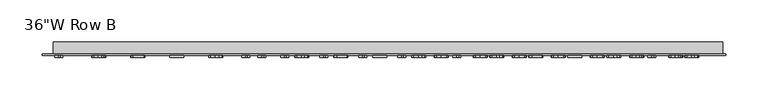
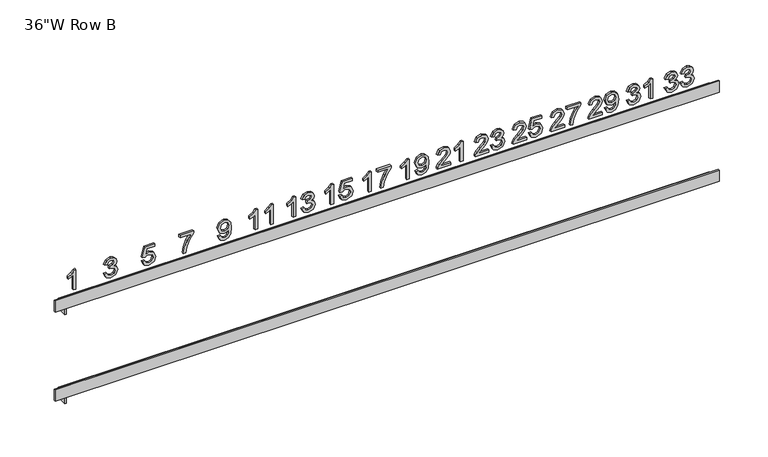
"""IFC4 building model written with IfcOpenShell, lengths in millimetres: furniture geometry."""

import ifcopenshell
import ifcopenshell.guid

model = None  # the IFC model being written
_history = None  # IfcOwnerHistory: only IFC2X3 demands one
_inside = {}  # id of a spatial element -> (the spatial element, [elements in it])
_under = {}  # id of a project, library or spatial element -> (it, [spatial elements below it])
_declared = {}  # id of a project -> (the project, [libraries it declares])
_typed = {}  # id of a type object -> (the type object, [elements of that type])
_made_of = {}  # id of a material, layer set ... -> (it, [elements and type objects made of it])


def new_model(schema):
    """Start an empty IFC model of exactly this schema.

    Asked for "IFC4X3", IfcOpenShell would pick the latest addendum, in which some entities
    have other attributes; the version numbers below select the first issue.
    IFC2X3 requires an IfcOwnerHistory on every rooted entity: one is made here for all.
    """
    global model, _history
    if schema == "IFC4X3":
        model = ifcopenshell.file(schema_version=(4, 3, 0, 0))
    else:
        model = ifcopenshell.file(schema=schema)
    _inside.clear()
    _under.clear()
    _declared.clear()
    _typed.clear()
    _made_of.clear()
    _history = None
    if model.schema == "IFC2X3":
        org = make("IfcOrganization", Name="unknown")
        user = make(
            "IfcPersonAndOrganization",
            ThePerson=make("IfcPerson", FamilyName="unknown"),
            TheOrganization=org,
        )
        app = make(
            "IfcApplication",
            ApplicationDeveloper=org,
            Version="unknown",
            ApplicationFullName="unknown",
            ApplicationIdentifier="unknown",
        )
        _history = make(
            "IfcOwnerHistory",
            OwningUser=user,
            OwningApplication=app,
            ChangeAction="ADDED",
            CreationDate=0,
        )
    return model


def make(cls, **values):
    """One entity of the class cls with the attributes given. An attribute that is None is left unset."""
    return model.create_entity(
        cls, **{name: value for name, value in values.items() if value is not None}
    )


def rooted(cls, **values):
    """An entity with a GlobalId (a new one), such as an element, a storey or a relation."""
    return make(cls, GlobalId=ifcopenshell.guid.new(), OwnerHistory=_history, **values)


def si_unit(unit_type, name, prefix=None):
    """IfcSIUnit, for example si_unit("LENGTHUNIT", "METRE", prefix="MILLI")."""
    return make("IfcSIUnit", UnitType=unit_type, Prefix=prefix, Name=name)


def assignment(units):
    """IfcUnitAssignment: the units of a project."""
    return None if units is None else make("IfcUnitAssignment", Units=units)


def point(xyz):
    """IfcCartesianPoint."""
    return None if xyz is None else make("IfcCartesianPoint", Coordinates=xyz)


def direction(xyz):
    """IfcDirection."""
    return None if xyz is None else make("IfcDirection", DirectionRatios=xyz)


def frame(location, z_axis=None, x_axis=None):
    """IfcAxis2Placement3D, a coordinate frame: its origin and axes. An axis left out is left unset."""
    return make(
        "IfcAxis2Placement3D",
        Location=point(location),
        Axis=direction(z_axis),
        RefDirection=direction(x_axis),
    )


def origin():
    """The frame at (0, 0, 0) with its axes left unset."""
    return frame((0.0, 0.0, 0.0))


def place(relative_to, where):
    """IfcLocalPlacement: puts the frame where relative to a parent placement (None: the world)."""
    return make(
        "IfcLocalPlacement", PlacementRelTo=relative_to, RelativePlacement=where
    )


def context(
    kind, dimensions, precision=None, world=None, true_north=None, identifier=None
):
    """IfcGeometricRepresentationContext, for example the 3D "Model" context."""
    return make(
        "IfcGeometricRepresentationContext",
        ContextIdentifier=identifier,
        ContextType=kind,
        CoordinateSpaceDimension=dimensions,
        Precision=precision,
        WorldCoordinateSystem=world,
        TrueNorth=true_north,
    )


def project(units=None, contexts=None):
    """IfcProject with its units and contexts."""
    return rooted(
        "IfcProject",
        Name="project",
        RepresentationContexts=contexts,
        UnitsInContext=assignment(units),
    )


def spatial(cls, under=None, at=None, **own):
    """A site, building, storey or space (cls), placed at a placement, below another one or the project."""
    s = rooted(cls, ObjectPlacement=at, **own)
    if under is not None:
        _under.setdefault(under.id(), (under, []))[1].append(s)
    return s


def polyline(points):
    """IfcPolyline through the points."""
    return make("IfcPolyline", Points=[point(p) for p in points])


def outline(outer, holes=None, kind="AREA"):
    """IfcArbitraryClosedProfileDef: a profile drawn as a closed curve; with holes, ...WithVoids."""
    if holes is None:
        return make("IfcArbitraryClosedProfileDef", ProfileType=kind, OuterCurve=outer)
    return make(
        "IfcArbitraryProfileDefWithVoids",
        ProfileType=kind,
        OuterCurve=outer,
        InnerCurves=holes,
    )


def extrude(swept, where, along, depth):
    """IfcExtrudedAreaSolid: the profile swept, set in the frame where, extruded along a direction by depth."""
    return make(
        "IfcExtrudedAreaSolid",
        SweptArea=swept,
        Position=where,
        ExtrudedDirection=direction(along),
        Depth=depth,
    )


def faces_of(points, faces, orient=None, outer=None):
    """IfcFace entities. A face is a list of loops; a loop is a list of indices into points, from 0.

    orient and outer hold one flag for each loop. By default every Orientation is true, the
    first loop of a face is its IfcFaceOuterBound and the others are IfcFaceBound.
    """
    made = []
    for i, loops in enumerate(faces):
        bounds = []
        for j, loop in enumerate(loops):
            is_outer = j == 0 if outer is None else outer[i][j]
            bounds.append(
                make(
                    "IfcFaceOuterBound" if is_outer else "IfcFaceBound",
                    Bound=make("IfcPolyLoop", Polygon=[points[k] for k in loop]),
                    Orientation=True if orient is None else orient[i][j],
                )
            )
        made.append(make("IfcFace", Bounds=bounds))
    return made


def faceted_brep(points, faces, orient=None, outer=None, voids=None):
    """IfcFacetedBrep: a solid bounded by flat faces; with voids (closed shells), ...WithVoids."""
    shared = [point(p) for p in points]
    hull = make("IfcClosedShell", CfsFaces=faces_of(shared, faces, orient, outer))
    if voids is None:
        return make("IfcFacetedBrep", Outer=hull)
    return make(
        "IfcFacetedBrepWithVoids",
        Outer=hull,
        Voids=[
            make(cls, CfsFaces=faces_of(shared, fs, o, b)) for cls, fs, o, b in voids
        ],
    )


def shape(context_of_items, identifier, shape_type, items):
    """IfcShapeRepresentation: the items that make up one representation, for example the "Body"."""
    return make(
        "IfcShapeRepresentation",
        ContextOfItems=context_of_items,
        RepresentationIdentifier=identifier,
        RepresentationType=shape_type,
        Items=items,
    )


def source(mapping_origin, context_of_items, identifier, shape_type, items):
    """IfcRepresentationMap: a shape defined once, which mapped items show again and again."""
    return make(
        "IfcRepresentationMap",
        MappingOrigin=mapping_origin,
        MappedRepresentation=shape(context_of_items, identifier, shape_type, items),
    )


def transform(
    local_origin,
    x_axis=None,
    y_axis=None,
    z_axis=None,
    scale=None,
    scale2=None,
    scale3=None,
    uniform=True,
):
    """IfcCartesianTransformationOperator3D, or its non-uniform kind. x_axis, y_axis, z_axis: its Axis1, 2, 3."""
    if uniform:
        return make(
            "IfcCartesianTransformationOperator3D",
            Axis1=direction(x_axis),
            Axis2=direction(y_axis),
            LocalOrigin=point(local_origin),
            Scale=scale,
            Axis3=direction(z_axis),
        )
    return make(
        "IfcCartesianTransformationOperator3DnonUniform",
        Axis1=direction(x_axis),
        Axis2=direction(y_axis),
        LocalOrigin=point(local_origin),
        Scale=scale,
        Axis3=direction(z_axis),
        Scale2=scale2,
        Scale3=scale3,
    )


def mapped(mapping_source, mapping_target):
    """IfcMappedItem: shows the shape of a source again, moved by a transform."""
    return make(
        "IfcMappedItem", MappingSource=mapping_source, MappingTarget=mapping_target
    )


def made_of(thing, what):
    """Note that an element or type object is made of a material, layer set ...; save() writes the relation."""
    if what is not None:
        _made_of.setdefault(what.id(), (what, []))[1].append(thing)
    return thing


def element(
    cls,
    number,
    at=None,
    inside=None,
    cuts=None,
    type_object=None,
    material=None,
    context=None,
    identifier="Body",
    shape_type=None,
    held_by="IfcProductDefinitionShape",
    body=None,
    shapes=None,
    **own,
):
    """One element of the class cls, such as IfcWall. Its Tag is "e" and its number.

    at: its placement. inside: the storey or other place that contains it. cuts: it is an
    opening in that element (IfcRelVoidsElement). A single representation is given by context,
    identifier, shape_type and body (its items); several are given by shapes. held_by: the class
    of the entity that holds the representations. save() writes the other relations.
    """
    e = rooted(cls, Tag="e%d" % number, ObjectPlacement=at, **own)
    if body is not None:
        shapes = [shape(context, identifier, shape_type, body)]
    if shapes is not None:
        e.Representation = make(held_by, Representations=shapes)
    if inside is not None:
        _inside.setdefault(inside.id(), (inside, []))[1].append(e)
    if cuts is not None:
        rooted(
            "IfcRelVoidsElement", RelatingBuildingElement=cuts, RelatedOpeningElement=e
        )
    if type_object is not None:
        _typed.setdefault(type_object.id(), (type_object, []))[1].append(e)
    return made_of(e, material)


def aggregate(whole, parts):
    """IfcRelAggregates: a whole, such as a stair, and the parts it consists of."""
    return rooted("IfcRelAggregates", RelatingObject=whole, RelatedObjects=parts)


def save(model, path):
    """Write the relations noted so far, then the file.

    IfcRelAggregates (storeys below a building ...), IfcRelContainedInSpatialStructure (elements
    in a storey), IfcRelDefinesByType, IfcRelAssociatesMaterial and IfcRelDeclares: one each for
    every whole, place, type object, material and project.
    """
    for whole, parts in _under.values():
        aggregate(whole, parts)
    for where, things in _inside.values():
        rooted(
            "IfcRelContainedInSpatialStructure",
            RelatedElements=things,
            RelatingStructure=where,
        )
    for kind, things in _typed.values():
        rooted("IfcRelDefinesByType", RelatedObjects=things, RelatingType=kind)
    for what, things in _made_of.values():
        rooted("IfcRelAssociatesMaterial", RelatedObjects=things, RelatingMaterial=what)
    for by, libraries in _declared.values():
        rooted("IfcRelDeclares", RelatingContext=by, RelatedDefinitions=libraries)
    model.write(path)


def furniture_2c89a0cc(model_context):
    return source(origin(), model_context, "Body", "SolidModel", [
        extrude(outline(polyline([(2101.5334769, 354.7691788), (2096.4595827, 357.2542269), (2094.4996308, 362.7372077), (2096.7954, 368.788025), (2102.3882846, 371.1814865), (2106.4547269, 369.9847558), (2108.5917462, 366.5777365), (2110.6616019, 369.1421596), (2113.543525, 370.0091788), (2116.6971548, 369.0963663), (2119.0417702, 366.458674), (2119.8996308, 362.6883615), (2118.1594865, 357.7182654), (2113.2565538, 355.1599481), (2112.8657846, 358.2861019), (2115.7965538, 359.81865), (2116.7734769, 362.7982654), (2115.8057125, 365.7412462), (2113.3603519, 366.883025), (2110.6005442, 365.3077365), (2109.7396308, 361.2596115), (2106.6134769, 360.9115827), (2106.9554, 363.1035538), (2105.6762413, 366.6571115), (2102.4432365, 368.0553327), (2099.0117942, 366.6449), (2097.6257846, 362.8471115), (2098.6332365, 359.6202125), (2101.9242462, 357.8953327), (2101.5334769, 354.7691788)])), frame((0.0, -18.25625, 0.0), z_axis=(0.0, 1.0, 0.0), x_axis=(0.0, 0.0, 1.0)), (0.0, 0.0, 1.0), 2.38125),
        extrude(outline(polyline([(2101.5334769, 373.9168712), (2096.4595827, 376.4019192), (2094.4996308, 381.8849), (2096.7954, 387.9357173), (2102.3882846, 390.3291788), (2106.4547269, 389.1324481), (2108.5917462, 385.7254288), (2110.6616019, 388.2898519), (2113.543525, 389.1568712), (2116.6971548, 388.2440587), (2119.0417702, 385.6063663), (2119.8996308, 381.8360538), (2118.1594865, 376.8659577), (2113.2565538, 374.3076404), (2112.8657846, 377.4337942), (2115.7965538, 378.9663423), (2116.7734769, 381.9459577), (2115.8057125, 384.8889385), (2113.3603519, 386.0307173), (2110.6005442, 384.4554288), (2109.7396308, 380.4073038), (2106.6134769, 380.059275), (2106.9554, 382.2512462), (2105.6762413, 385.8048038), (2102.4432365, 387.203025), (2099.0117942, 385.7925923), (2097.6257846, 381.9948038), (2098.6332365, 378.7679048), (2101.9242462, 377.043025), (2101.5334769, 373.9168712)])), frame((0.0, -18.25625, 0.0), z_axis=(0.0, 1.0, 0.0), x_axis=(0.0, 0.0, 1.0)), (0.0, 0.0, 1.0), 2.38125),
        extrude(outline(polyline([(2101.5334769, 308.7316788), (2096.4595827, 311.2167269), (2094.4996308, 316.6997077), (2096.7954, 322.750525), (2102.3882846, 325.1439865), (2106.4547269, 323.9472558), (2108.5917462, 320.5402365), (2110.6616019, 323.1046596), (2113.543525, 323.9716788), (2116.6971548, 323.0588663), (2119.0417702, 320.421174), (2119.8996308, 316.6508615), (2118.1594865, 311.6807654), (2113.2565538, 309.1224481), (2112.8657846, 312.2486019), (2115.7965538, 313.78115), (2116.7734769, 316.7607654), (2115.8057125, 319.7037462), (2113.3603519, 320.845525), (2110.6005442, 319.2702365), (2109.7396308, 315.2221115), (2106.6134769, 314.8740827), (2106.9554, 317.0660538), (2105.6762413, 320.6196115), (2102.4432365, 322.0178327), (2099.0117942, 320.6074), (2097.6257846, 316.8096115), (2098.6332365, 313.5827125), (2101.9242462, 311.8578327), (2101.5334769, 308.7316788)])), frame((0.0, -18.25625, 0.0), z_axis=(0.0, 1.0, 0.0), x_axis=(0.0, 0.0, 1.0)), (0.0, 0.0, 1.0), 2.38125),
        extrude(outline(polyline([(2094.8904, 339.6024481), (2119.8996308, 339.6024481), (2119.8996308, 337.5875442), (2116.5719865, 334.8063663), (2113.6473231, 330.2239865), (2110.6921308, 330.2239865), (2112.2704721, 333.5149962), (2114.3800154, 336.4762942), (2094.8904, 336.4762942), (2094.8904, 339.6024481)])), frame((0.0, -18.25625, 0.0), z_axis=(0.0, 1.0, 0.0), x_axis=(0.0, 0.0, 1.0)), (0.0, 0.0, 1.0), 2.38125),
        extrude(outline(polyline([(2098.0165538, 278.7157173), (2098.0165538, 266.4370154), (2099.6071067, 267.8474481), (2102.6141981, 271.4437462), (2106.8973952, 275.9223279), (2109.9624913, 277.7693231), (2112.9268423, 278.3249481), (2117.8969385, 276.264251), (2119.8996308, 270.6683135), (2118.0984288, 265.0906933), (2112.8657846, 262.6941788), (2112.4750154, 265.8203327), (2115.6316981, 267.136126), (2116.7734769, 270.60115), (2115.6042221, 273.9257413), (2112.7375635, 275.1987942), (2109.1962173, 273.8494192), (2103.9879962, 268.4519192), (2100.3642221, 264.5381212), (2097.0457365, 262.6392269), (2094.8904, 262.3034096), (2094.8904, 278.7157173), (2098.0165538, 278.7157173)])), frame((0.0, -18.25625, 0.0), z_axis=(0.0, 1.0, 0.0), x_axis=(0.0, 0.0, 1.0)), (0.0, 0.0, 1.0), 2.38125),
        extrude(outline(polyline([(2101.1427077, 282.2326404), (2096.2428279, 284.4734577), (2094.4996308, 289.2786981), (2095.9772269, 294.1053087), (2100.2787413, 297.2100923), (2107.8712654, 298.2541788), (2114.8684769, 297.2070394), (2118.5929962, 294.1419433), (2119.8996308, 289.6877846), (2117.6099673, 284.0796356), (2111.5652558, 281.8418712), (2105.7098231, 283.9758375), (2103.4873231, 289.1993231), (2104.3970827, 292.6277125), (2106.1555442, 295.1463423), (2102.5287173, 294.6945154), (2099.81165, 293.671799), (2098.2210971, 291.9560779), (2097.6257846, 289.4252365), (2098.5508087, 286.7631212), (2101.5334769, 285.3587942), (2101.1427077, 282.2326404)]), holes=[polyline([(2111.638525, 295.128025), (2107.9475875, 293.7145394), (2106.6134769, 290.1090827), (2107.9475875, 286.3540346), (2111.4126115, 284.968025), (2115.2806163, 286.4334096), (2116.7734769, 290.1945635), (2115.3874673, 293.77865), (2111.638525, 295.128025)])]), frame((0.0, -18.25625, 0.0), z_axis=(0.0, 1.0, 0.0), x_axis=(0.0, 0.0, 1.0)), (0.0, 0.0, 1.0), 2.38125),
        extrude(outline(polyline([(2098.0165538, 232.6782173), (2098.0165538, 220.3995154), (2099.6071067, 221.8099481), (2102.6141981, 225.4062462), (2106.8973952, 229.8848279), (2109.9624913, 231.7318231), (2112.9268423, 232.2874481), (2117.8969385, 230.226751), (2119.8996308, 224.6308135), (2118.0984288, 219.0531933), (2112.8657846, 216.6566788), (2112.4750154, 219.7828327), (2115.6316981, 221.098626), (2116.7734769, 224.56365), (2115.6042221, 227.8882413), (2112.7375635, 229.1612942), (2109.1962173, 227.8119192), (2103.9879962, 222.4144192), (2100.3642221, 218.5006212), (2097.0457365, 216.6017269), (2094.8904, 216.2659096), (2094.8904, 232.6782173), (2098.0165538, 232.6782173)])), frame((0.0, -18.25625, 0.0), z_axis=(0.0, 1.0, 0.0), x_axis=(0.0, 0.0, 1.0)), (0.0, 0.0, 1.0), 2.38125),
        extrude(outline(polyline([(2116.3827077, 235.8043712), (2116.3827077, 249.090525), (2109.9136452, 244.3646596), (2101.9425635, 240.9545875), (2094.8904, 239.7120635), (2094.8904, 242.8382173), (2101.6861212, 243.9983135), (2110.2555683, 247.5610298), (2116.9810731, 252.2166788), (2119.5088615, 252.2166788), (2119.5088615, 235.8043712), (2116.3827077, 235.8043712)])), frame((0.0, -18.25625, 0.0), z_axis=(0.0, 1.0, 0.0), x_axis=(0.0, 0.0, 1.0)), (0.0, 0.0, 1.0), 2.38125),
        extrude(outline(polyline([(2098.0165538, 186.6407173), (2098.0165538, 174.3620154), (2099.6071067, 175.7724481), (2102.6141981, 179.3687462), (2106.8973952, 183.8473279), (2109.9624913, 185.6943231), (2112.9268423, 186.2499481), (2117.8969385, 184.189251), (2119.8996308, 178.5933135), (2118.0984288, 173.0156933), (2112.8657846, 170.6191788), (2112.4750154, 173.7453327), (2115.6316981, 175.061126), (2116.7734769, 178.52615), (2115.6042221, 181.8507413), (2112.7375635, 183.1237942), (2109.1962173, 181.7744192), (2103.9879962, 176.3769192), (2100.3642221, 172.4631212), (2097.0457365, 170.5642269), (2094.8904, 170.2284096), (2094.8904, 186.6407173), (2098.0165538, 186.6407173)])), frame((0.0, -18.25625, 0.0), z_axis=(0.0, 1.0, 0.0), x_axis=(0.0, 0.0, 1.0)), (0.0, 0.0, 1.0), 2.38125),
        extrude(outline(polyline([(2101.5334769, 189.7668712), (2096.426001, 192.206126), (2094.4996308, 197.7226885), (2097.4975635, 204.2192269), (2103.2980442, 206.1791788), (2109.0618904, 204.0024721), (2111.3027077, 198.6568712), (2109.4954, 194.08365), (2116.3827077, 195.4208135), (2116.3827077, 205.0068712), (2119.5088615, 205.0068712), (2119.5088615, 192.893025), (2106.6134769, 190.1576404), (2106.2227077, 193.2837942), (2107.6331404, 195.0392029), (2108.1765538, 197.7837462), (2106.8149673, 201.7433375), (2103.1026596, 203.053025), (2099.124751, 201.6548038), (2097.6257846, 197.7349), (2098.7034529, 194.4683135), (2101.9242462, 192.893025), (2101.5334769, 189.7668712)])), frame((0.0, -18.25625, 0.0), z_axis=(0.0, 1.0, 0.0), x_axis=(0.0, 0.0, 1.0)), (0.0, 0.0, 1.0), 2.38125),
        extrude(outline(polyline([(2098.0165538, 140.6032173), (2098.0165538, 128.3245154), (2099.6071067, 129.7349481), (2102.6141981, 133.3312462), (2106.8973952, 137.8098279), (2109.9624913, 139.6568231), (2112.9268423, 140.2124481), (2117.8969385, 138.151751), (2119.8996308, 132.5558135), (2118.0984288, 126.9781933), (2112.8657846, 124.5816788), (2112.4750154, 127.7078327), (2115.6316981, 129.023626), (2116.7734769, 132.48865), (2115.6042221, 135.8132413), (2112.7375635, 137.0862942), (2109.1962173, 135.7369192), (2103.9879962, 130.3394192), (2100.3642221, 126.4256212), (2097.0457365, 124.5267269), (2094.8904, 124.1909096), (2094.8904, 140.6032173), (2098.0165538, 140.6032173)])), frame((0.0, -18.25625, 0.0), z_axis=(0.0, 1.0, 0.0), x_axis=(0.0, 0.0, 1.0)), (0.0, 0.0, 1.0), 2.38125),
        extrude(outline(polyline([(2101.5334769, 143.7293712), (2096.4595827, 146.2144192), (2094.4996308, 151.6974), (2096.7954, 157.7482173), (2102.3882846, 160.1416788), (2106.4547269, 158.9449481), (2108.5917462, 155.5379288), (2110.6616019, 158.1023519), (2113.543525, 158.9693712), (2116.6971548, 158.0565587), (2119.0417702, 155.4188663), (2119.8996308, 151.6485538), (2118.1594865, 146.6784577), (2113.2565538, 144.1201404), (2112.8657846, 147.2462942), (2115.7965538, 148.7788423), (2116.7734769, 151.7584577), (2115.8057125, 154.7014385), (2113.3603519, 155.8432173), (2110.6005442, 154.2679288), (2109.7396308, 150.2198038), (2106.6134769, 149.871775), (2106.9554, 152.0637462), (2105.6762413, 155.6173038), (2102.4432365, 157.015525), (2099.0117942, 155.6050923), (2097.6257846, 151.8073038), (2098.6332365, 148.5804048), (2101.9242462, 146.855525), (2101.5334769, 143.7293712)])), frame((0.0, -18.25625, 0.0), z_axis=(0.0, 1.0, 0.0), x_axis=(0.0, 0.0, 1.0)), (0.0, 0.0, 1.0), 2.38125),
        extrude(outline(polyline([(2098.0165538, 94.5657173), (2098.0165538, 82.2870154), (2099.6071067, 83.6974481), (2102.6141981, 87.2937462), (2106.8973952, 91.7723279), (2109.9624913, 93.6193231), (2112.9268423, 94.1749481), (2117.8969385, 92.114251), (2119.8996308, 86.5183135), (2118.0984288, 80.9406933), (2112.8657846, 78.5441788), (2112.4750154, 81.6703327), (2115.6316981, 82.986126), (2116.7734769, 86.45115), (2115.6042221, 89.7757413), (2112.7375635, 91.0487942), (2109.1962173, 89.6994192), (2103.9879962, 84.3019192), (2100.3642221, 80.3881212), (2097.0457365, 78.4892269), (2094.8904, 78.1534096), (2094.8904, 94.5657173), (2098.0165538, 94.5657173)])), frame((0.0, -18.25625, 0.0), z_axis=(0.0, 1.0, 0.0), x_axis=(0.0, 0.0, 1.0)), (0.0, 0.0, 1.0), 2.38125),
        extrude(outline(polyline([(2094.8904, 109.4149481), (2119.8996308, 109.4149481), (2119.8996308, 107.4000442), (2116.5719865, 104.6188663), (2113.6473231, 100.0364865), (2110.6921308, 100.0364865), (2112.2704721, 103.3274962), (2114.3800154, 106.2887942), (2094.8904, 106.2887942), (2094.8904, 109.4149481)])), frame((0.0, -18.25625, 0.0), z_axis=(0.0, 1.0, 0.0), x_axis=(0.0, 0.0, 1.0)), (0.0, 0.0, 1.0), 2.38125),
        extrude(outline(polyline([(2094.8904, 44.2297558), (2119.8996308, 44.2297558), (2119.8996308, 42.2148519), (2116.5719865, 39.433674), (2113.6473231, 34.8512942), (2110.6921308, 34.8512942), (2112.2704721, 38.1423038), (2114.3800154, 41.1036019), (2094.8904, 41.1036019), (2094.8904, 44.2297558)])), frame((0.0, -18.25625, 0.0), z_axis=(0.0, 1.0, 0.0), x_axis=(0.0, 0.0, 1.0)), (0.0, 0.0, 1.0), 2.38125),
        extrude(outline(polyline([(2101.1427077, 52.0451404), (2096.2428279, 54.2859577), (2094.4996308, 59.0911981), (2095.9772269, 63.9178087), (2100.2787413, 67.0225923), (2107.8712654, 68.0666788), (2114.8684769, 67.0195394), (2118.5929962, 63.9544433), (2119.8996308, 59.5002846), (2117.6099673, 53.8921356), (2111.5652558, 51.6543712), (2105.7098231, 53.7883375), (2103.4873231, 59.0118231), (2104.3970827, 62.4402125), (2106.1555442, 64.9588423), (2102.5287173, 64.5070154), (2099.81165, 63.484299), (2098.2210971, 61.7685779), (2097.6257846, 59.2377365), (2098.5508087, 56.5756212), (2101.5334769, 55.1712942), (2101.1427077, 52.0451404)]), holes=[polyline([(2111.638525, 64.940525), (2107.9475875, 63.5270394), (2106.6134769, 59.9215827), (2107.9475875, 56.1665346), (2111.4126115, 54.780525), (2115.2806163, 56.2459096), (2116.7734769, 60.0070635), (2115.3874673, 63.59115), (2111.638525, 64.940525)])]), frame((0.0, -18.25625, 0.0), z_axis=(0.0, 1.0, 0.0), x_axis=(0.0, 0.0, 1.0)), (0.0, 0.0, 1.0), 2.38125),
        extrude(outline(polyline([(2094.8904, -1.8077442), (2119.8996308, -1.8077442), (2119.8996308, -3.8226481), (2116.5719865, -6.603826), (2113.6473231, -11.1862058), (2110.6921308, -11.1862058), (2112.2704721, -7.8951962), (2114.3800154, -4.9338981), (2094.8904, -4.9338981), (2094.8904, -1.8077442)])), frame((0.0, -18.25625, 0.0), z_axis=(0.0, 1.0, 0.0), x_axis=(0.0, 0.0, 1.0)), (0.0, 0.0, 1.0), 2.38125),
        extrude(outline(polyline([(2116.3827077, 5.6168712), (2116.3827077, 18.903025), (2109.9136452, 14.1771596), (2101.9425635, 10.7670875), (2094.8904, 9.5245635), (2094.8904, 12.6507173), (2101.6861212, 13.8108135), (2110.2555683, 17.3735298), (2116.9810731, 22.0291788), (2119.5088615, 22.0291788), (2119.5088615, 5.6168712), (2116.3827077, 5.6168712)])), frame((0.0, -18.25625, 0.0), z_axis=(0.0, 1.0, 0.0), x_axis=(0.0, 0.0, 1.0)), (0.0, 0.0, 1.0), 2.38125),
        extrude(outline(polyline([(2094.8904, -47.8452442), (2119.8996308, -47.8452442), (2119.8996308, -49.8601481), (2116.5719865, -52.641326), (2113.6473231, -57.2237058), (2110.6921308, -57.2237058), (2112.2704721, -53.9326962), (2114.3800154, -50.9713981), (2094.8904, -50.9713981), (2094.8904, -47.8452442)])), frame((0.0, -18.25625, 0.0), z_axis=(0.0, 1.0, 0.0), x_axis=(0.0, 0.0, 1.0)), (0.0, 0.0, 1.0), 2.38125),
        extrude(outline(polyline([(2101.5334769, -40.4206288), (2096.426001, -37.981374), (2094.4996308, -32.4648115), (2097.4975635, -25.9682731), (2103.2980442, -24.0083212), (2109.0618904, -26.1850279), (2111.3027077, -31.5306288), (2109.4954, -36.10385), (2116.3827077, -34.7666865), (2116.3827077, -25.1806288), (2119.5088615, -25.1806288), (2119.5088615, -37.294475), (2106.6134769, -40.0298596), (2106.2227077, -36.9037058), (2107.6331404, -35.1482971), (2108.1765538, -32.4037538), (2106.8149673, -28.4441625), (2103.1026596, -27.134475), (2099.124751, -28.5326962), (2097.6257846, -32.4526), (2098.7034529, -35.7191865), (2101.9242462, -37.294475), (2101.5334769, -40.4206288)])), frame((0.0, -18.25625, 0.0), z_axis=(0.0, 1.0, 0.0), x_axis=(0.0, 0.0, 1.0)), (0.0, 0.0, 1.0), 2.38125),
        extrude(outline(polyline([(2094.8904, -93.8827442), (2119.8996308, -93.8827442), (2119.8996308, -95.8976481), (2116.5719865, -98.678826), (2113.6473231, -103.2612058), (2110.6921308, -103.2612058), (2112.2704721, -99.9701962), (2114.3800154, -97.0088981), (2094.8904, -97.0088981), (2094.8904, -93.8827442)])), frame((0.0, -18.25625, 0.0), z_axis=(0.0, 1.0, 0.0), x_axis=(0.0, 0.0, 1.0)), (0.0, 0.0, 1.0), 2.38125),
        extrude(outline(polyline([(2101.5334769, -86.4581288), (2096.4595827, -83.9730808), (2094.4996308, -78.4901), (2096.7954, -72.4392827), (2102.3882846, -70.0458212), (2106.4547269, -71.2425519), (2108.5917462, -74.6495712), (2110.6616019, -72.0851481), (2113.543525, -71.2181288), (2116.6971548, -72.1309413), (2119.0417702, -74.7686337), (2119.8996308, -78.5389462), (2118.1594865, -83.5090423), (2113.2565538, -86.0673596), (2112.8657846, -82.9412058), (2115.7965538, -81.4086577), (2116.7734769, -78.4290423), (2115.8057125, -75.4860615), (2113.3603519, -74.3442827), (2110.6005442, -75.9195712), (2109.7396308, -79.9676962), (2106.6134769, -80.315725), (2106.9554, -78.1237538), (2105.6762413, -74.5701962), (2102.4432365, -73.171975), (2099.0117942, -74.5824077), (2097.6257846, -78.3801962), (2098.6332365, -81.6070952), (2101.9242462, -83.331975), (2101.5334769, -86.4581288)])), frame((0.0, -18.25625, 0.0), z_axis=(0.0, 1.0, 0.0), x_axis=(0.0, 0.0, 1.0)), (0.0, 0.0, 1.0), 2.38125),
        extrude(outline(polyline([(2094.8904, -139.9202442), (2119.8996308, -139.9202442), (2119.8996308, -141.9351481), (2116.5719865, -144.716326), (2113.6473231, -149.2987058), (2110.6921308, -149.2987058), (2112.2704721, -146.0076962), (2114.3800154, -143.0463981), (2094.8904, -143.0463981), (2094.8904, -139.9202442)])), frame((0.0, -18.25625, 0.0), z_axis=(0.0, 1.0, 0.0), x_axis=(0.0, 0.0, 1.0)), (0.0, 0.0, 1.0), 2.38125),
        extrude(outline(polyline([(2094.8904, -120.7725519), (2119.8996308, -120.7725519), (2119.8996308, -122.7874558), (2116.5719865, -125.5686337), (2113.6473231, -130.1510135), (2110.6921308, -130.1510135), (2112.2704721, -126.8600038), (2114.3800154, -123.8987058), (2094.8904, -123.8987058), (2094.8904, -120.7725519)])), frame((0.0, -18.25625, 0.0), z_axis=(0.0, 1.0, 0.0), x_axis=(0.0, 0.0, 1.0)), (0.0, 0.0, 1.0), 2.38125),
        extrude(outline(polyline([(2101.1427077, -187.7162058), (2096.2428279, -185.4753885), (2094.4996308, -180.6701481), (2095.9772269, -175.8435375), (2100.2787413, -172.7387538), (2107.8712654, -171.6946673), (2114.8684769, -172.7418067), (2118.5929962, -175.8069029), (2119.8996308, -180.2610615), (2117.6099673, -185.8692106), (2111.5652558, -188.106975), (2105.7098231, -185.9730087), (2103.4873231, -180.7495231), (2104.3970827, -177.3211337), (2106.1555442, -174.8025038), (2102.5287173, -175.2543308), (2099.81165, -176.2770471), (2098.2210971, -177.9927683), (2097.6257846, -180.5236096), (2098.5508087, -183.185725), (2101.5334769, -184.5900519), (2101.1427077, -187.7162058)]), holes=[polyline([(2111.638525, -174.8208212), (2107.9475875, -176.2343067), (2106.6134769, -179.8397635), (2107.9475875, -183.5948115), (2111.4126115, -184.9808212), (2115.2806163, -183.5154365), (2116.7734769, -179.7542827), (2115.3874673, -176.1701962), (2111.638525, -174.8208212)])]), frame((0.0, -18.25625, 0.0), z_axis=(0.0, 1.0, 0.0), x_axis=(0.0, 0.0, 1.0)), (0.0, 0.0, 1.0), 2.38125),
        extrude(outline(polyline([(2116.3827077, -234.144475), (2116.3827077, -220.8583212), (2109.9136452, -225.5841865), (2101.9425635, -228.9942587), (2094.8904, -230.2367827), (2094.8904, -227.1106288), (2101.6861212, -225.9505327), (2110.2555683, -222.3878163), (2116.9810731, -217.7321673), (2119.5088615, -217.7321673), (2119.5088615, -234.144475), (2116.3827077, -234.144475)])), frame((0.0, -18.25625, 0.0), z_axis=(0.0, 1.0, 0.0), x_axis=(0.0, 0.0, 1.0)), (0.0, 0.0, 1.0), 2.38125),
        extrude(outline(polyline([(2101.5334769, -280.181975), (2096.426001, -277.7427202), (2094.4996308, -272.2261577), (2097.4975635, -265.7296192), (2103.2980442, -263.7696673), (2109.0618904, -265.946374), (2111.3027077, -271.291975), (2109.4954, -275.8651962), (2116.3827077, -274.5280327), (2116.3827077, -264.941975), (2119.5088615, -264.941975), (2119.5088615, -277.0558212), (2106.6134769, -279.7912058), (2106.2227077, -276.6650519), (2107.6331404, -274.9096433), (2108.1765538, -272.1651), (2106.8149673, -268.2055087), (2103.1026596, -266.8958212), (2099.124751, -268.2940423), (2097.6257846, -272.2139462), (2098.7034529, -275.4805327), (2101.9242462, -277.0558212), (2101.5334769, -280.181975)])), frame((0.0, -18.25625, 0.0), z_axis=(0.0, 1.0, 0.0), x_axis=(0.0, 0.0, 1.0)), (0.0, 0.0, 1.0), 2.38125),
        extrude(outline(polyline([(2101.5334769, -326.219475), (2096.4595827, -323.7344269), (2094.4996308, -318.2514462), (2096.7954, -312.2006288), (2102.3882846, -309.8071673), (2106.4547269, -311.0038981), (2108.5917462, -314.4109173), (2110.6616019, -311.8464942), (2113.543525, -310.979475), (2116.6971548, -311.8922875), (2119.0417702, -314.5299798), (2119.8996308, -318.3002923), (2118.1594865, -323.2703885), (2113.2565538, -325.8287058), (2112.8657846, -322.7025519), (2115.7965538, -321.1700038), (2116.7734769, -318.1903885), (2115.8057125, -315.2474077), (2113.3603519, -314.1056288), (2110.6005442, -315.6809173), (2109.7396308, -319.7290423), (2106.6134769, -320.0770712), (2106.9554, -317.8851), (2105.6762413, -314.3315423), (2102.4432365, -312.9333212), (2099.0117942, -314.3437538), (2097.6257846, -318.1415423), (2098.6332365, -321.3684413), (2101.9242462, -323.0933212), (2101.5334769, -326.219475)])), frame((0.0, -18.25625, 0.0), z_axis=(0.0, 1.0, 0.0), x_axis=(0.0, 0.0, 1.0)), (0.0, 0.0, 1.0), 2.38125),
        extrude(outline(polyline([(2094.8904, -360.5338981), (2119.8996308, -360.5338981), (2119.8996308, -362.5488019), (2116.5719865, -365.3299798), (2113.6473231, -369.9123596), (2110.6921308, -369.9123596), (2112.2704721, -366.62135), (2114.3800154, -363.6600519), (2094.8904, -363.6600519), (2094.8904, -360.5338981)])), frame((0.0, -18.25625, 0.0), z_axis=(0.0, 1.0, 0.0), x_axis=(0.0, 0.0, 1.0)), (0.0, 0.0, 1.0), 2.38125),
        faceted_brep([(-371.7873583, -13.9699322, 1948.7951562), (-369.8823681, -13.9699322, 1948.7951562), (-369.8823681, -13.9699322, 1958.0866403), (-371.7873583, -13.9699322, 1958.0866403), (-371.7873583, 0.0, 1948.7951562), (-371.7873583, 0.0, 1961.4957194), (418.7822789, 0.0, 1961.4957194), (418.7822789, 0.0, 1958.0866403), (-369.8823681, 0.0, 1958.0866403), (-369.8823681, 0.0, 1948.7951562), (418.7822789, -13.9699322, 1958.0866403), (421.9627049, -13.9699322, 1958.0866403), (421.9627049, -15.875, 1958.0866403), (-384.4872951, -15.875, 1958.0866403), (-384.4872951, -13.9699322, 1958.0866403), (418.7822789, -13.9699322, 1961.4957194), (-371.7873583, -13.9699322, 1961.4957194), (-384.4872951, -15.875, 1972.3105632), (-384.4872951, -13.9699322, 1972.3105632), (421.9627049, -15.875, 1972.3105632), (421.9627049, -13.9699322, 1972.3105632)], [[[0, 1, 2, 3]], [[4, 5, 6, 7, 8, 9]], [[1, 0, 4, 9]], [[2, 1, 9, 8]], [[8, 7, 10, 11, 12, 13, 14, 3, 2]], [[7, 6, 15, 10]], [[6, 5, 16, 15]], [[5, 4, 0, 3, 16]], [[17, 18, 14, 13]], [[19, 12, 11, 20]], [[18, 17, 19, 20]], [[14, 18, 20, 11, 10, 15, 16, 3]], [[17, 13, 12, 19]]]),
        faceted_brep([(-371.7873583, -13.9699322, 2063.1151167), (-369.8823681, -13.9699322, 2063.1151167), (-369.8823681, -13.9699322, 2072.3860703), (-371.7873583, -13.9699322, 2072.3860703), (-371.7873583, 0.0, 2063.1151167), (-371.7873583, 0.0, 2075.8150534), (418.7822789, 0.0, 2075.8150534), (418.7822789, 0.0, 2072.3860703), (-369.8823681, 0.0, 2072.3860703), (-369.8823681, 0.0, 2063.1151167), (418.7822789, -13.9699322, 2072.3860703), (421.9627049, -13.9699322, 2072.3860703), (421.9627049, -15.875, 2072.3860703), (-384.4872951, -15.875, 2072.3860703), (-384.4872951, -13.9699322, 2072.3860703), (418.7822789, -13.9699322, 2075.8150534), (-371.7873583, -13.9699322, 2075.8150534), (-384.4872951, -15.875, 2086.61), (-384.4872951, -13.9699322, 2086.61), (421.9627049, -13.9699322, 2086.61), (421.9627049, -15.875, 2086.61)], [[[0, 1, 2, 3]], [[4, 5, 6, 7, 8, 9]], [[1, 0, 4, 9]], [[2, 1, 9, 8]], [[8, 7, 10, 11, 12, 13, 14, 3, 2]], [[7, 6, 15, 10]], [[6, 5, 16, 15]], [[5, 4, 0, 3, 16]], [[14, 13, 17, 18]], [[11, 19, 20, 12]], [[17, 13, 12, 20]], [[18, 17, 20, 19]], [[14, 18, 19, 11, 10, 15, 16, 3]]]),
    ])


if __name__ == "__main__":
    model = new_model("IFC4")
    model_context = context("Model", 3, world=origin())
    ifc_project = project(units=[si_unit("LENGTHUNIT", "METRE", prefix="MILLI")], contexts=[model_context])
    site = spatial("IfcSite", under=ifc_project)
    building = spatial("IfcBuilding", under=site)
    placement = place(None, origin())
    furniture_shape = furniture_2c89a0cc(model_context)
    element("IfcFurniture", 1, ObjectType="36\"W Row B", at=placement, inside=building, context=model_context, shape_type="MappedRepresentation", body=[
        mapped(furniture_shape, transform((0.0, 0.0, 0.0), x_axis=(1.0, 0.0, 0.0), y_axis=(0.0, 1.0, 0.0), z_axis=(0.0, 0.0, 1.0))),
    ])
    save(model, "model.ifc")
